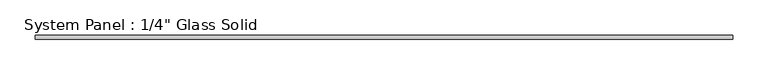
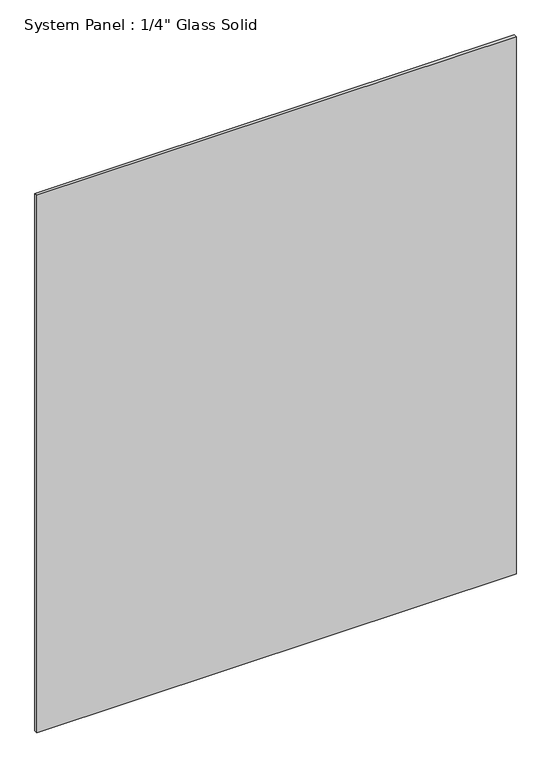
"""IFC4 building model written with IfcOpenShell, lengths in millimetres: plate geometry."""

from ifc_helpers import new_model, si_unit, origin, origin_with_axes, place, context, project, spatial, polyline, outline, extrude, source, transform, mapped, element, save


def plate_a4d7f6ec(model_context):
    return source(origin(), model_context, "Body", "SweptSolid", [
        extrude(outline(polyline([(498.4758852, -3.175), (-498.4758852, -3.175), (-498.4758852, 3.175), (498.4758852, 3.175), (498.4758852, -3.175)])), origin_with_axes(), (0.0, 0.0, 1.0), 1182.2594027),
    ])


if __name__ == "__main__":
    model = new_model("IFC4")
    model_context = context("Model", 3, world=origin())
    ifc_project = project(units=[si_unit("LENGTHUNIT", "METRE", prefix="MILLI")], contexts=[model_context])
    site = spatial("IfcSite", under=ifc_project)
    building = spatial("IfcBuilding", under=site)
    placement = place(None, origin())
    plate_shape = plate_a4d7f6ec(model_context)
    element("IfcPlate", 1, ObjectType="System Panel : 1/4\" Glass Solid", at=placement, inside=building, context=model_context, shape_type="MappedRepresentation", body=[
        mapped(plate_shape, transform((0.0, 0.0, 0.0), x_axis=(1.0, 0.0, 0.0), y_axis=(0.0, 1.0, 0.0), z_axis=(0.0, 0.0, 1.0))),
    ])
    save(model, "model.ifc")
